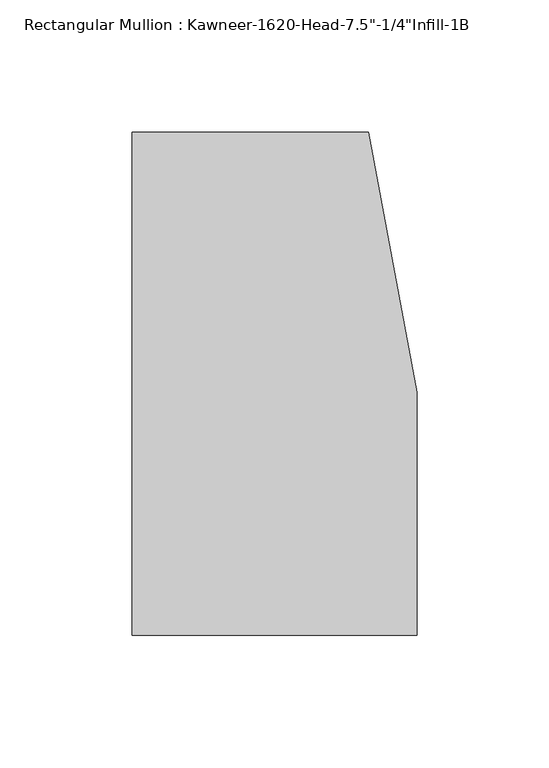
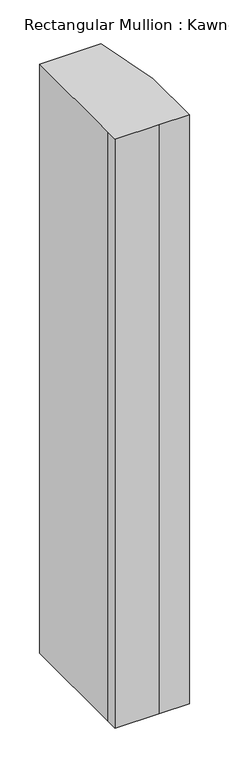
"""IFC4 building model written with IfcOpenShell, lengths in millimetres: member geometry."""

from ifc_helpers import new_model, si_unit, frame, origin, place, context, project, spatial, polyline, outline, extrude, source, transform, mapped, element, save


def member_8a1dedea(model_context):
    return source(origin(), model_context, "Body", "SweptSolid", [
        extrude(outline(polyline([(-107.95, -10.3845466), (-107.95, 161.925), (-18.3538271, 161.925), (0.0, 63.5), (0.0, -28.575), (-44.1519366, -28.575), (-107.95, -28.575), (-107.95, -10.3845466)])), frame((0.0, 0.0, -904.875), z_axis=(0.0, 0.0, 1.0), x_axis=(1.0, 0.0, 0.0)), (0.0, 0.0, 1.0), 904.875),
    ])


if __name__ == "__main__":
    model = new_model("IFC4")
    model_context = context("Model", 3, world=origin())
    ifc_project = project(units=[si_unit("LENGTHUNIT", "METRE", prefix="MILLI")], contexts=[model_context])
    site = spatial("IfcSite", under=ifc_project)
    building = spatial("IfcBuilding", under=site)
    placement = place(None, origin())
    member_shape = member_8a1dedea(model_context)
    element("IfcMember", 1, ObjectType="Rectangular Mullion : Kawneer-1620-Head-7.5\"-1/4\"Infill-1B", at=placement, inside=building, context=model_context, shape_type="MappedRepresentation", body=[
        mapped(member_shape, transform((0.0, 0.0, 0.0), x_axis=(1.0, 0.0, 0.0), y_axis=(0.0, 1.0, 0.0), z_axis=(0.0, 0.0, 1.0))),
    ])
    save(model, "model.ifc")
